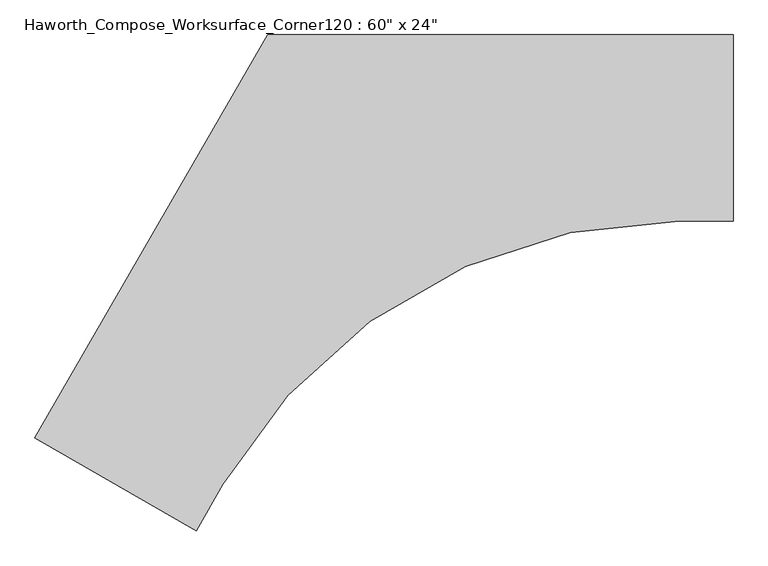
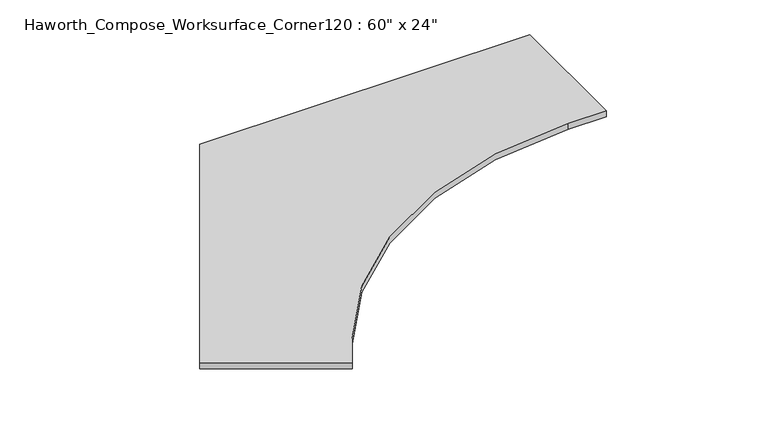
"""IFC4 building model written with IfcOpenShell, lengths in millimetres: furniture geometry."""

from ifc_helpers import new_model, si_unit, point, frame, frame_2d, origin, place, context, project, spatial, polyline, circle_curve, trimmed, segment, composite_curve, outline, extrude, source, transform, mapped, element, save


def furniture_8fe19b9c(model_context):
    return source(origin(), model_context, "Body", "SweptSolid", [
        extrude(outline(composite_curve([segment(polyline([(-1524.0, -1015.0227154), (-762.0, 304.8), (762.0, 304.8), (762.0, -304.8), (587.152109, -304.8)]), True, "CONTINUOUS"), segment(trimmed(circle_curve(frame_2d((587.152109, -2032.0)), 1727.2), [point((587.152109, -304.8))], [point((-908.6469684, -1168.4))], True, "CARTESIAN"), True, "CONTINUOUS"), segment(polyline([(-908.6469684, -1168.4), (-996.0709139, -1319.8227154), (-1524.0, -1015.0227154)]), True, "CONTINUOUS")], self_intersect=False)), frame((0.0, 0.0, 706.4375), z_axis=(0.0, 0.0, 1.0), x_axis=(1.0, 0.0, 0.0)), (0.0, 0.0, 1.0), 30.1625),
    ])


if __name__ == "__main__":
    model = new_model("IFC4")
    model_context = context("Model", 3, world=origin())
    ifc_project = project(units=[si_unit("LENGTHUNIT", "METRE", prefix="MILLI")], contexts=[model_context])
    site = spatial("IfcSite", under=ifc_project)
    building = spatial("IfcBuilding", under=site)
    placement = place(None, origin())
    furniture_shape = furniture_8fe19b9c(model_context)
    element("IfcFurniture", 1, ObjectType="Haworth_Compose_Worksurface_Corner120 : 60\" x 24\"", at=placement, inside=building, context=model_context, shape_type="MappedRepresentation", body=[
        mapped(furniture_shape, transform((0.0, 0.0, 0.0), x_axis=(1.0, 0.0, 0.0), y_axis=(0.0, 1.0, 0.0), z_axis=(0.0, 0.0, 1.0))),
    ])
    save(model, "model.ifc")
